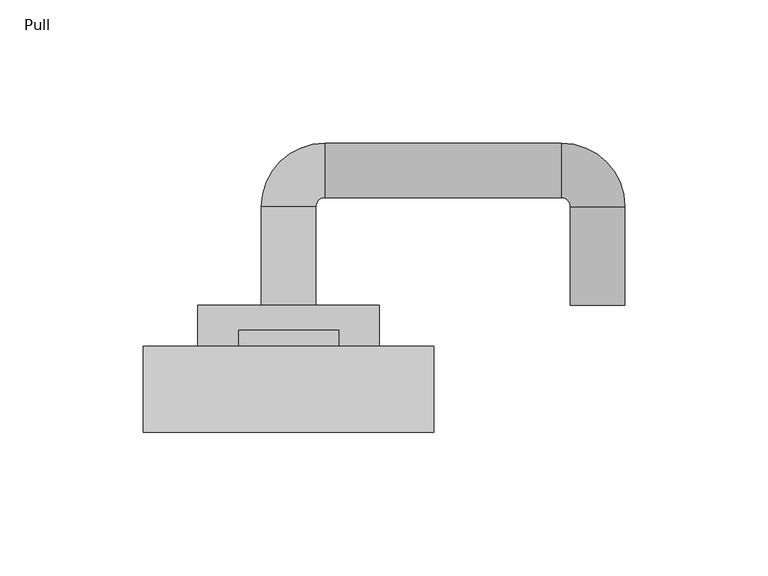
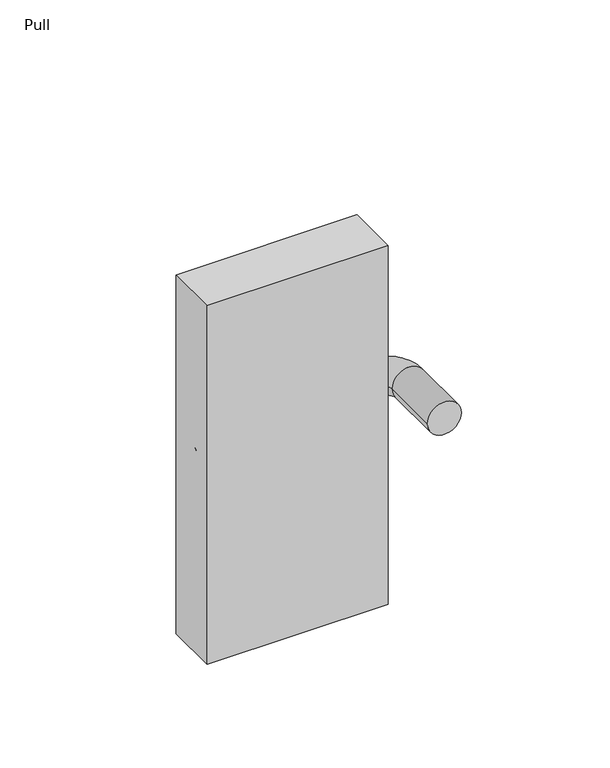
"""IFC4 building model written with IfcOpenShell, lengths in millimetres: proxy geometry, Pull."""

from ifc_helpers import new_model, si_unit, point, frame, frame_2d, origin, origin_2d, place, context, project, spatial, polyline, circle_curve, ellipse_curve, trimmed, segment, composite_curve, outline, extrude, source, transform, mapped, element, save
from ifc_brep_helpers import plane_surface, cylinder_surface, revolved_surface, advanced_brep


def pull_0705ecc9(model_context):
    return source(origin(), model_context, "Body", "SolidModel", [
        extrude(outline(composite_curve([segment(trimmed(circle_curve(frame_2d((98.425, 0.0)), 17.4625), [point((98.425, 17.4625))], [point((98.425, -17.4625))], False, "CARTESIAN"), True, "CONTINUOUS"), segment(trimmed(circle_curve(frame_2d((98.425, 0.0)), 17.4625), [point((98.425, -17.4625))], [point((98.425, 17.4625))], False, "CARTESIAN"), True, "CONTINUOUS")], self_intersect=False)), frame((0.0, 30.1625, 0.0), z_axis=(0.0, 1.0, 0.0), x_axis=(0.0, 0.0, 1.0)), (0.0, 0.0, 1.0), 5.55625),
        advanced_brep(
        [(-9.525, 44.45, 0.0), (9.525, 44.45, 0.0), (9.525, 78.816018, 0.0), (-9.525, 78.816018, 0.0), (12.7, 101.041018, 0.0), (12.7, 81.991018, 0.0), (95.25, 81.991018, 0.0), (95.25, 101.041018, 0.0), (117.475, 78.816018, 0.0), (98.425, 78.816018, 0.0), (117.475, 44.45, 0.0), (98.425, 44.45, 0.0)],
        [
            (0, 1, circle_curve(frame((0.0, 44.45, 0.0), z_axis=(0.0, -1.0, 0.0), x_axis=(1.0, 0.0, 0.0)), 9.525)),
            (1, 0, circle_curve(frame((0.0, 44.45, 0.0), z_axis=(0.0, -1.0, 0.0), x_axis=(1.0, 0.0, 0.0)), 9.525)),
            (1, 2),
            (2, 3, circle_curve(frame((0.0, 78.816018, 0.0), z_axis=(0.0, -1.0, 0.0), x_axis=(1.0, 0.0, 0.0)), 9.525)),
            (3, 0),
            (3, 2, circle_curve(frame((0.0, 78.816018, 0.0), z_axis=(0.0, -1.0, 0.0), x_axis=(1.0, 0.0, 0.0)), 9.525)),
            (4, 3, circle_curve(frame((12.7, 78.816018, 0.0), z_axis=(0.0, 0.0, 1.0), x_axis=(-1.0, 0.0, 0.0)), 22.225)),
            (2, 5, circle_curve(frame((12.7, 78.816018, 0.0), z_axis=(0.0, 0.0, -1.0), x_axis=(-1.0, 0.0, 0.0)), 3.175)),
            (5, 4, circle_curve(frame((12.7, 91.516018, 0.0), z_axis=(-1.0, 0.0, 0.0), x_axis=(0.0, -1.0, 0.0)), 9.525)),
            (4, 5, circle_curve(frame((12.7, 91.516018, 0.0), z_axis=(-1.0, 0.0, 0.0), x_axis=(0.0, -1.0, 0.0)), 9.525)),
            (5, 6),
            (6, 7, circle_curve(frame((95.25, 91.516018, 0.0), z_axis=(-1.0, 0.0, 0.0), x_axis=(0.0, -1.0, 0.0)), 9.525)),
            (7, 4),
            (7, 6, circle_curve(frame((95.25, 91.516018, 0.0), z_axis=(-1.0, 0.0, 0.0), x_axis=(0.0, -1.0, 0.0)), 9.525)),
            (8, 7, circle_curve(frame((95.25, 78.816018, 0.0), z_axis=(0.0, 0.0, 1.0), x_axis=(0.0, 1.0, 0.0)), 22.225)),
            (6, 9, circle_curve(frame((95.25, 78.816018, 0.0), z_axis=(0.0, 0.0, -1.0), x_axis=(0.0, 1.0, 0.0)), 3.175)),
            (9, 8, circle_curve(frame((107.95, 78.816018, 0.0), z_axis=(0.0, 1.0, 0.0), x_axis=(-1.0, 0.0, 0.0)), 9.525)),
            (8, 9, circle_curve(frame((107.95, 78.816018, 0.0), z_axis=(0.0, 1.0, 0.0), x_axis=(-1.0, 0.0, 0.0)), 9.525)),
            (10, 11, circle_curve(frame((107.95, 44.45, 0.0), z_axis=(0.0, -1.0, 0.0), x_axis=(-1.0, 0.0, 0.0)), 9.525)),
            (11, 10, circle_curve(frame((107.95, 44.45, 0.0), z_axis=(0.0, -1.0, 0.0), x_axis=(-1.0, 0.0, 0.0)), 9.525)),
            (9, 11),
            (10, 8),
        ],
        [
            plane_surface(frame((0.0, 44.45, 0.0), z_axis=(0.0, -1.0, 0.0), x_axis=(0.0, 0.0, 1.0))),
            cylinder_surface(frame((0.0, 44.45, 0.0), z_axis=(0.0, -1.0, 0.0), x_axis=(1.0, 0.0, 0.0)), 9.525),
            revolved_surface(trimmed(ellipse_curve(frame((0.0, 78.816018, 0.0), z_axis=(0.0, -1.0, 0.0), x_axis=(1.0, 0.0, 0.0)), 9.525, 9.525), [point((9.525, 78.816018, 0.0))], [point((-9.525, 78.816018, 0.0))], True, "CARTESIAN"), (12.7, 78.816018, 0.0), (0.0, 0.0, -1.0)),
            revolved_surface(trimmed(ellipse_curve(frame((0.0, 78.816018, 0.0), z_axis=(0.0, -1.0, 0.0), x_axis=(1.0, 0.0, 0.0)), 9.525, 9.525), [point((-9.525, 78.816018, 0.0))], [point((9.525, 78.816018, 0.0))], True, "CARTESIAN"), (12.7, 78.816018, 0.0), (0.0, 0.0, -1.0)),
            cylinder_surface(frame((12.7, 91.516018, 0.0), z_axis=(-1.0, 0.0, 0.0), x_axis=(0.0, -1.0, 0.0)), 9.525),
            revolved_surface(trimmed(ellipse_curve(frame((95.25, 91.516018, 0.0), z_axis=(-1.0, 0.0, 0.0), x_axis=(0.0, -1.0, 0.0)), 9.525, 9.525), [point((95.25, 81.991018, 0.0))], [point((95.25, 101.041018, 0.0))], True, "CARTESIAN"), (95.25, 78.816018, 0.0), (0.0, 0.0, -1.0)),
            revolved_surface(trimmed(ellipse_curve(frame((95.25, 91.516018, 0.0), z_axis=(-1.0, 0.0, 0.0), x_axis=(0.0, -1.0, 0.0)), 9.525, 9.525), [point((95.25, 101.041018, 0.0))], [point((95.25, 81.991018, 0.0))], True, "CARTESIAN"), (95.25, 78.816018, 0.0), (0.0, 0.0, -1.0)),
            plane_surface(frame((107.95, 44.45, 0.0), z_axis=(0.0, -1.0, 0.0), x_axis=(0.0, 0.0, 1.0))),
            cylinder_surface(frame((107.95, 78.816018, 0.0), z_axis=(0.0, 1.0, 0.0), x_axis=(-1.0, 0.0, 0.0)), 9.525),
        ],
        [
            (0, [[1, 2]]),
            (1, [[-2, 3, 4, 5]]),
            (1, [[-1, -5, 6, -3]]),
            (2, [[7, -4, 8, 9]]),
            (3, [[-8, -6, -7, 10]]),
            (4, [[-9, 11, 12, 13]]),
            (4, [[-10, -13, 14, -11]]),
            (5, [[15, -12, 16, 17]]),
            (6, [[-16, -14, -15, 18]]),
            (7, [[19, 20]]),
            (8, [[-17, 21, -19, 22]]),
            (8, [[-18, -22, -20, -21]]),
        ],
    ),
        extrude(outline(composite_curve([segment(trimmed(circle_curve(origin_2d(), 31.75), [point((0.0, 31.75))], [point((0.0, -31.75))], False, "CARTESIAN"), True, "CONTINUOUS"), segment(trimmed(circle_curve(origin_2d(), 31.75), [point((0.0, -31.75))], [point((0.0, 31.75))], False, "CARTESIAN"), True, "CONTINUOUS")], self_intersect=False)), frame((0.0, 30.1625, 0.0), z_axis=(0.0, 1.0, 0.0), x_axis=(0.0, 0.0, 1.0)), (0.0, 0.0, 1.0), 14.2875),
        extrude(outline(polyline([(50.8, 0.0), (-50.8, 0.0), (-50.8, 30.1625), (50.8, 30.1625), (50.8, 0.0)])), frame((0.0, 0.0, -63.5), z_axis=(0.0, 0.0, 1.0), x_axis=(1.0, 0.0, 0.0)), (0.0, 0.0, 1.0), 212.725),
    ])


if __name__ == "__main__":
    model = new_model("IFC4")
    model_context = context("Model", 3, world=origin())
    ifc_project = project(units=[si_unit("LENGTHUNIT", "METRE", prefix="MILLI")], contexts=[model_context])
    site = spatial("IfcSite", under=ifc_project)
    building = spatial("IfcBuilding", under=site)
    placement = place(None, origin())
    pull_shape = pull_0705ecc9(model_context)
    element("IfcBuildingElementProxy", 1, Name="Pull", ObjectType="Pull", at=placement, inside=building, context=model_context, shape_type="MappedRepresentation", body=[
        mapped(pull_shape, transform((0.0, 0.0, 0.0), x_axis=(1.0, 0.0, 0.0), y_axis=(0.0, 1.0, 0.0), z_axis=(0.0, 0.0, 1.0))),
    ])
    save(model, "model.ifc")
